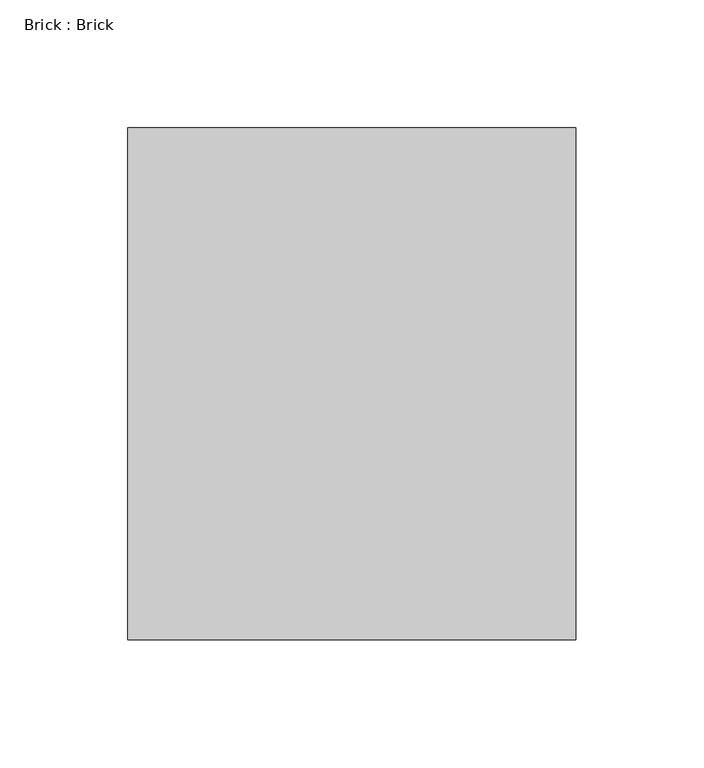
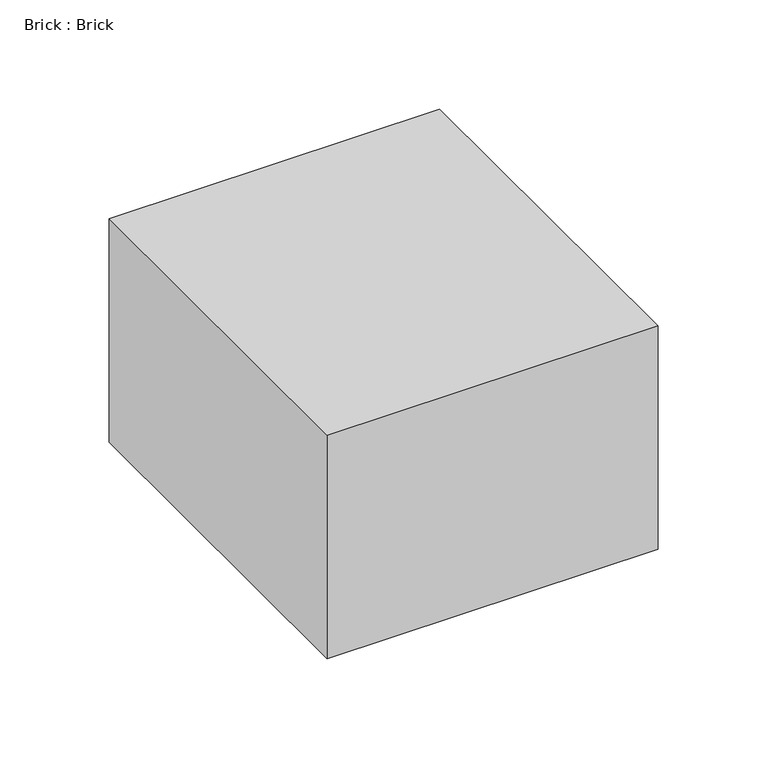
"""IFC4 building model written with IfcOpenShell, lengths in millimetres: proxy geometry, Brick : Brick."""

import ifcopenshell
import ifcopenshell.guid

model = None  # the IFC model being written
_history = None  # IfcOwnerHistory: only IFC2X3 demands one
_inside = {}  # id of a spatial element -> (the spatial element, [elements in it])
_under = {}  # id of a project, library or spatial element -> (it, [spatial elements below it])
_declared = {}  # id of a project -> (the project, [libraries it declares])
_typed = {}  # id of a type object -> (the type object, [elements of that type])
_made_of = {}  # id of a material, layer set ... -> (it, [elements and type objects made of it])


def new_model(schema):
    """Start an empty IFC model of exactly this schema.

    Asked for "IFC4X3", IfcOpenShell would pick the latest addendum, in which some entities
    have other attributes; the version numbers below select the first issue.
    IFC2X3 requires an IfcOwnerHistory on every rooted entity: one is made here for all.
    """
    global model, _history
    if schema == "IFC4X3":
        model = ifcopenshell.file(schema_version=(4, 3, 0, 0))
    else:
        model = ifcopenshell.file(schema=schema)
    _inside.clear()
    _under.clear()
    _declared.clear()
    _typed.clear()
    _made_of.clear()
    _history = None
    if model.schema == "IFC2X3":
        org = make("IfcOrganization", Name="unknown")
        user = make(
            "IfcPersonAndOrganization",
            ThePerson=make("IfcPerson", FamilyName="unknown"),
            TheOrganization=org,
        )
        app = make(
            "IfcApplication",
            ApplicationDeveloper=org,
            Version="unknown",
            ApplicationFullName="unknown",
            ApplicationIdentifier="unknown",
        )
        _history = make(
            "IfcOwnerHistory",
            OwningUser=user,
            OwningApplication=app,
            ChangeAction="ADDED",
            CreationDate=0,
        )
    return model


def make(cls, **values):
    """One entity of the class cls with the attributes given. An attribute that is None is left unset."""
    return model.create_entity(
        cls, **{name: value for name, value in values.items() if value is not None}
    )


def rooted(cls, **values):
    """An entity with a GlobalId (a new one), such as an element, a storey or a relation."""
    return make(cls, GlobalId=ifcopenshell.guid.new(), OwnerHistory=_history, **values)


def si_unit(unit_type, name, prefix=None):
    """IfcSIUnit, for example si_unit("LENGTHUNIT", "METRE", prefix="MILLI")."""
    return make("IfcSIUnit", UnitType=unit_type, Prefix=prefix, Name=name)


def assignment(units):
    """IfcUnitAssignment: the units of a project."""
    return None if units is None else make("IfcUnitAssignment", Units=units)


def point(xyz):
    """IfcCartesianPoint."""
    return None if xyz is None else make("IfcCartesianPoint", Coordinates=xyz)


def direction(xyz):
    """IfcDirection."""
    return None if xyz is None else make("IfcDirection", DirectionRatios=xyz)


def frame(location, z_axis=None, x_axis=None):
    """IfcAxis2Placement3D, a coordinate frame: its origin and axes. An axis left out is left unset."""
    return make(
        "IfcAxis2Placement3D",
        Location=point(location),
        Axis=direction(z_axis),
        RefDirection=direction(x_axis),
    )


def origin():
    """The frame at (0, 0, 0) with its axes left unset."""
    return frame((0.0, 0.0, 0.0))


def place(relative_to, where):
    """IfcLocalPlacement: puts the frame where relative to a parent placement (None: the world)."""
    return make(
        "IfcLocalPlacement", PlacementRelTo=relative_to, RelativePlacement=where
    )


def context(
    kind, dimensions, precision=None, world=None, true_north=None, identifier=None
):
    """IfcGeometricRepresentationContext, for example the 3D "Model" context."""
    return make(
        "IfcGeometricRepresentationContext",
        ContextIdentifier=identifier,
        ContextType=kind,
        CoordinateSpaceDimension=dimensions,
        Precision=precision,
        WorldCoordinateSystem=world,
        TrueNorth=true_north,
    )


def project(units=None, contexts=None):
    """IfcProject with its units and contexts."""
    return rooted(
        "IfcProject",
        Name="project",
        RepresentationContexts=contexts,
        UnitsInContext=assignment(units),
    )


def spatial(cls, under=None, at=None, **own):
    """A site, building, storey or space (cls), placed at a placement, below another one or the project."""
    s = rooted(cls, ObjectPlacement=at, **own)
    if under is not None:
        _under.setdefault(under.id(), (under, []))[1].append(s)
    return s


def polyline(points):
    """IfcPolyline through the points."""
    return make("IfcPolyline", Points=[point(p) for p in points])


def outline(outer, holes=None, kind="AREA"):
    """IfcArbitraryClosedProfileDef: a profile drawn as a closed curve; with holes, ...WithVoids."""
    if holes is None:
        return make("IfcArbitraryClosedProfileDef", ProfileType=kind, OuterCurve=outer)
    return make(
        "IfcArbitraryProfileDefWithVoids",
        ProfileType=kind,
        OuterCurve=outer,
        InnerCurves=holes,
    )


def extrude(swept, where, along, depth):
    """IfcExtrudedAreaSolid: the profile swept, set in the frame where, extruded along a direction by depth."""
    return make(
        "IfcExtrudedAreaSolid",
        SweptArea=swept,
        Position=where,
        ExtrudedDirection=direction(along),
        Depth=depth,
    )


def shape(context_of_items, identifier, shape_type, items):
    """IfcShapeRepresentation: the items that make up one representation, for example the "Body"."""
    return make(
        "IfcShapeRepresentation",
        ContextOfItems=context_of_items,
        RepresentationIdentifier=identifier,
        RepresentationType=shape_type,
        Items=items,
    )


def source(mapping_origin, context_of_items, identifier, shape_type, items):
    """IfcRepresentationMap: a shape defined once, which mapped items show again and again."""
    return make(
        "IfcRepresentationMap",
        MappingOrigin=mapping_origin,
        MappedRepresentation=shape(context_of_items, identifier, shape_type, items),
    )


def transform(
    local_origin,
    x_axis=None,
    y_axis=None,
    z_axis=None,
    scale=None,
    scale2=None,
    scale3=None,
    uniform=True,
):
    """IfcCartesianTransformationOperator3D, or its non-uniform kind. x_axis, y_axis, z_axis: its Axis1, 2, 3."""
    if uniform:
        return make(
            "IfcCartesianTransformationOperator3D",
            Axis1=direction(x_axis),
            Axis2=direction(y_axis),
            LocalOrigin=point(local_origin),
            Scale=scale,
            Axis3=direction(z_axis),
        )
    return make(
        "IfcCartesianTransformationOperator3DnonUniform",
        Axis1=direction(x_axis),
        Axis2=direction(y_axis),
        LocalOrigin=point(local_origin),
        Scale=scale,
        Axis3=direction(z_axis),
        Scale2=scale2,
        Scale3=scale3,
    )


def mapped(mapping_source, mapping_target):
    """IfcMappedItem: shows the shape of a source again, moved by a transform."""
    return make(
        "IfcMappedItem", MappingSource=mapping_source, MappingTarget=mapping_target
    )


def made_of(thing, what):
    """Note that an element or type object is made of a material, layer set ...; save() writes the relation."""
    if what is not None:
        _made_of.setdefault(what.id(), (what, []))[1].append(thing)
    return thing


def element(
    cls,
    number,
    at=None,
    inside=None,
    cuts=None,
    type_object=None,
    material=None,
    context=None,
    identifier="Body",
    shape_type=None,
    held_by="IfcProductDefinitionShape",
    body=None,
    shapes=None,
    **own,
):
    """One element of the class cls, such as IfcWall. Its Tag is "e" and its number.

    at: its placement. inside: the storey or other place that contains it. cuts: it is an
    opening in that element (IfcRelVoidsElement). A single representation is given by context,
    identifier, shape_type and body (its items); several are given by shapes. held_by: the class
    of the entity that holds the representations. save() writes the other relations.
    """
    e = rooted(cls, Tag="e%d" % number, ObjectPlacement=at, **own)
    if body is not None:
        shapes = [shape(context, identifier, shape_type, body)]
    if shapes is not None:
        e.Representation = make(held_by, Representations=shapes)
    if inside is not None:
        _inside.setdefault(inside.id(), (inside, []))[1].append(e)
    if cuts is not None:
        rooted(
            "IfcRelVoidsElement", RelatingBuildingElement=cuts, RelatedOpeningElement=e
        )
    if type_object is not None:
        _typed.setdefault(type_object.id(), (type_object, []))[1].append(e)
    return made_of(e, material)


def aggregate(whole, parts):
    """IfcRelAggregates: a whole, such as a stair, and the parts it consists of."""
    return rooted("IfcRelAggregates", RelatingObject=whole, RelatedObjects=parts)


def save(model, path):
    """Write the relations noted so far, then the file.

    IfcRelAggregates (storeys below a building ...), IfcRelContainedInSpatialStructure (elements
    in a storey), IfcRelDefinesByType, IfcRelAssociatesMaterial and IfcRelDeclares: one each for
    every whole, place, type object, material and project.
    """
    for whole, parts in _under.values():
        aggregate(whole, parts)
    for where, things in _inside.values():
        rooted(
            "IfcRelContainedInSpatialStructure",
            RelatedElements=things,
            RelatingStructure=where,
        )
    for kind, things in _typed.values():
        rooted("IfcRelDefinesByType", RelatedObjects=things, RelatingType=kind)
    for what, things in _made_of.values():
        rooted("IfcRelAssociatesMaterial", RelatedObjects=things, RelatingMaterial=what)
    for by, libraries in _declared.values():
        rooted("IfcRelDeclares", RelatingContext=by, RelatedDefinitions=libraries)
    model.write(path)


def brick_brick_d483d10e(model_context):
    return source(origin(), model_context, "Body", "SweptSolid", [
        extrude(outline(polyline([(87.5, 100.0), (87.5, -100.0), (-87.5, -100.0), (-87.5, 100.0), (87.5, 100.0)])), frame((0.0, 0.0, -62.5), z_axis=(0.0, 0.0, 1.0), x_axis=(1.0, 0.0, 0.0)), (0.0, 0.0, 1.0), 125.0),
    ])


if __name__ == "__main__":
    model = new_model("IFC4")
    model_context = context("Model", 3, world=origin())
    ifc_project = project(units=[si_unit("LENGTHUNIT", "METRE", prefix="MILLI")], contexts=[model_context])
    site = spatial("IfcSite", under=ifc_project)
    building = spatial("IfcBuilding", under=site)
    placement = place(None, origin())
    brick_brick_shape = brick_brick_d483d10e(model_context)
    element("IfcBuildingElementProxy", 1, Name="Brick : Brick", ObjectType="Brick : Brick", at=placement, inside=building, context=model_context, shape_type="MappedRepresentation", body=[
        mapped(brick_brick_shape, transform((0.0, 0.0, 0.0), x_axis=(1.0, 0.0, 0.0), y_axis=(0.0, 1.0, 0.0), z_axis=(0.0, 0.0, 1.0))),
    ])
    save(model, "model.ifc")
